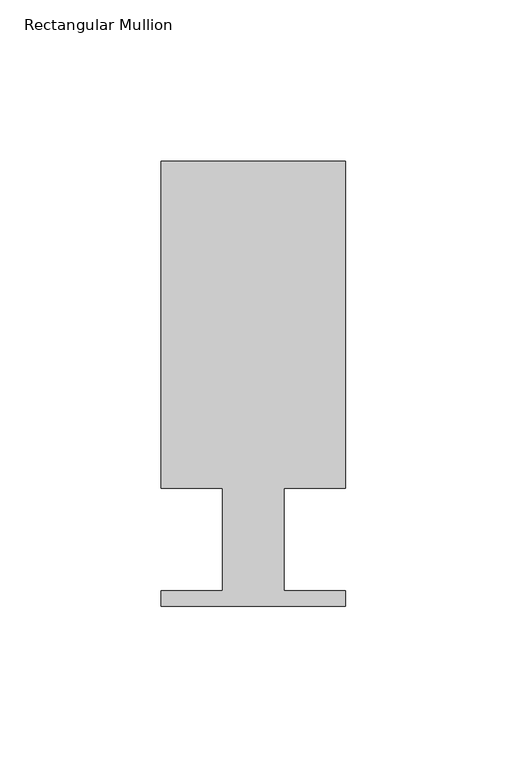
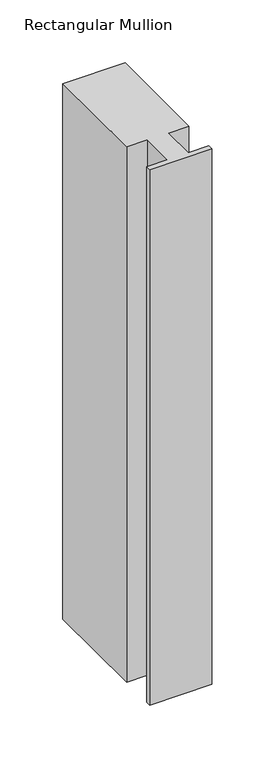
"""IFC4 building model written with IfcOpenShell, lengths in millimetres: member geometry, Rectangular Mullion."""

from ifc_helpers import new_model, si_unit, frame, origin, place, context, project, spatial, polyline, outline, extrude, source, transform, mapped, element, save


def rectangular_mullion_939d9d53(model_context):
    return source(origin(), model_context, "Body", "SweptSolid", [
        extrude(outline(polyline([(0.0, 138.3268125), (0.0, 37.1078125), (-19.05, 37.1078125), (-19.05, 5.3578125), (0.0, 5.3578125), (0.0, 0.5318125), (-57.15, 0.5318125), (-57.15, 5.3578125), (-38.1, 5.3578125), (-38.1, 37.1078125), (-57.15, 37.1078125), (-57.15, 138.3268125), (0.0, 138.3268125)])), frame((0.0, 0.0, -519.7037125), z_axis=(0.0, 0.0, 1.0), x_axis=(1.0, 0.0, 0.0)), (0.0, 0.0, 1.0), 519.7037125),
    ])


if __name__ == "__main__":
    model = new_model("IFC4")
    model_context = context("Model", 3, world=origin())
    ifc_project = project(units=[si_unit("LENGTHUNIT", "METRE", prefix="MILLI")], contexts=[model_context])
    site = spatial("IfcSite", under=ifc_project)
    building = spatial("IfcBuilding", under=site)
    placement = place(None, origin())
    rectangular_mullion_shape = rectangular_mullion_939d9d53(model_context)
    element("IfcMember", 1, ObjectType="Rectangular Mullion", at=placement, inside=building, context=model_context, shape_type="MappedRepresentation", body=[
        mapped(rectangular_mullion_shape, transform((0.0, 0.0, 0.0), x_axis=(1.0, 0.0, 0.0), y_axis=(0.0, 1.0, 0.0), z_axis=(0.0, 0.0, 1.0))),
    ])
    save(model, "model.ifc")
